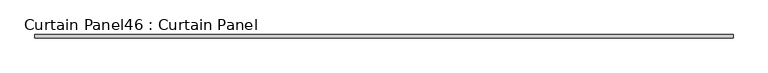
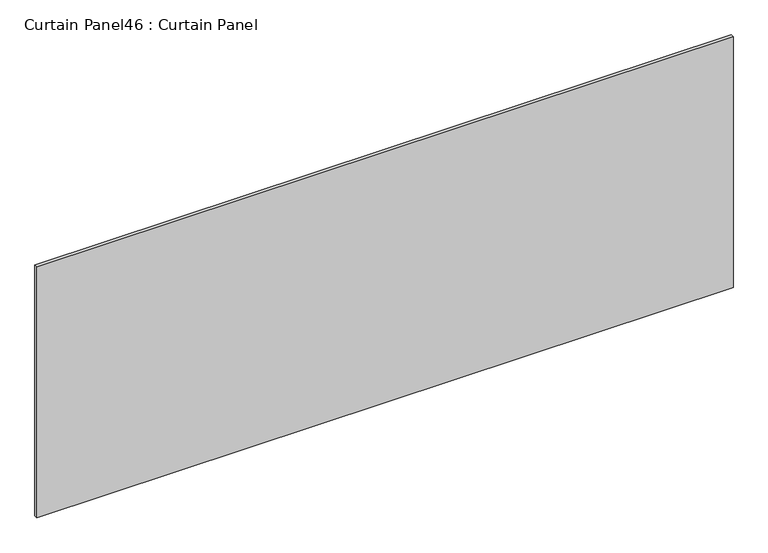
"""IFC4 building model written with IfcOpenShell, lengths in millimetres: plate geometry, Curtain Panel46 : Curtain Panel."""

from ifc_helpers import new_model, si_unit, frame, origin, place, context, project, spatial, polyline, outline, extrude, source, transform, mapped, element, save


def curtain_panel46_curtain_panel_fc6d068b(model_context):
    return source(origin(), model_context, "Body", "SweptSolid", [
        extrude(outline(polyline([(26584.1304088, 1721.1260947), (21351.7304088, 1721.1260947), (21351.7304088, 1746.5260947), (26584.1304088, 1746.5260947), (26584.1304088, 1721.1260947)])), frame((0.0, 0.0, 7963.4022144), z_axis=(0.0, 0.0, 1.0), x_axis=(1.0, 0.0, 0.0)), (0.0, 0.0, 1.0), 1992.0061207),
    ])


if __name__ == "__main__":
    model = new_model("IFC4")
    model_context = context("Model", 3, world=origin())
    ifc_project = project(units=[si_unit("LENGTHUNIT", "METRE", prefix="MILLI")], contexts=[model_context])
    site = spatial("IfcSite", under=ifc_project)
    building = spatial("IfcBuilding", under=site)
    placement = place(None, origin())
    curtain_panel46_curtain_panel_shape = curtain_panel46_curtain_panel_fc6d068b(model_context)
    element("IfcPlate", 1, ObjectType="Curtain Panel46 : Curtain Panel", at=placement, inside=building, context=model_context, shape_type="MappedRepresentation", body=[
        mapped(curtain_panel46_curtain_panel_shape, transform((0.0, 0.0, 0.0), x_axis=(1.0, 0.0, 0.0), y_axis=(0.0, 1.0, 0.0), z_axis=(0.0, 0.0, 1.0))),
    ])
    save(model, "model.ifc")
